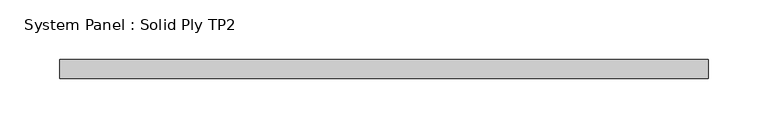
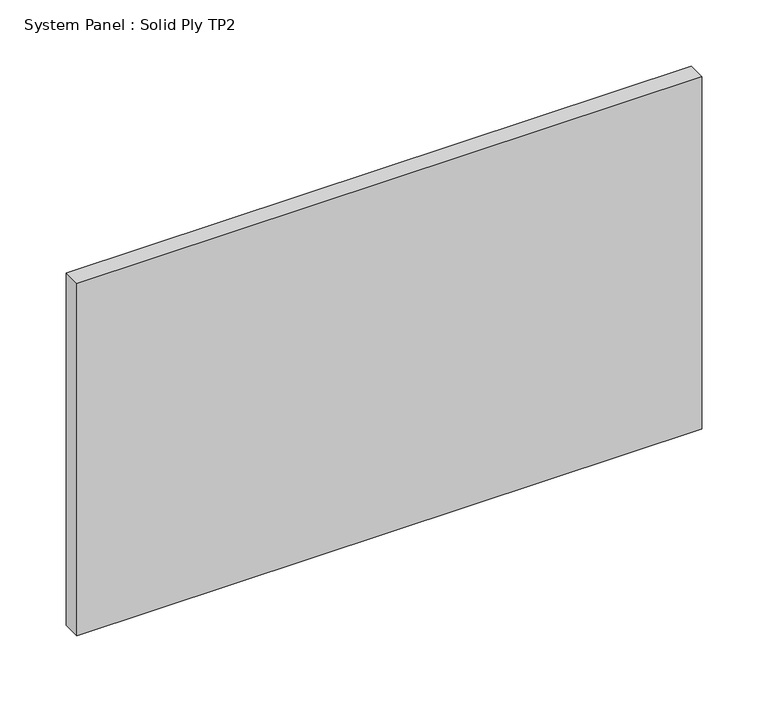
"""IFC4 building model written with IfcOpenShell, lengths in millimetres: plate geometry, System Panel : Solid Ply TP2."""

from ifc_helpers import new_model, si_unit, origin, origin_with_axes, place, context, project, spatial, polyline, outline, extrude, source, transform, mapped, element, save


def system_panel_solid_ply_tp2_54d684c5(model_context):
    return source(origin(), model_context, "Body", "SweptSolid", [
        extrude(outline(polyline([(272.4952418, -23.0), (-272.4952418, -23.0), (-272.4952418, -7.0), (272.4952418, -7.0), (272.4952418, -23.0)])), origin_with_axes(), (0.0, 0.0, 1.0), 325.0),
    ])


if __name__ == "__main__":
    model = new_model("IFC4")
    model_context = context("Model", 3, world=origin())
    ifc_project = project(units=[si_unit("LENGTHUNIT", "METRE", prefix="MILLI")], contexts=[model_context])
    site = spatial("IfcSite", under=ifc_project)
    building = spatial("IfcBuilding", under=site)
    placement = place(None, origin())
    system_panel_solid_ply_tp2_shape = system_panel_solid_ply_tp2_54d684c5(model_context)
    element("IfcPlate", 1, ObjectType="System Panel : Solid Ply TP2", at=placement, inside=building, context=model_context, shape_type="MappedRepresentation", body=[
        mapped(system_panel_solid_ply_tp2_shape, transform((0.0, 0.0, 0.0), x_axis=(1.0, 0.0, 0.0), y_axis=(0.0, 1.0, 0.0), z_axis=(0.0, 0.0, 1.0))),
    ])
    save(model, "model.ifc")
